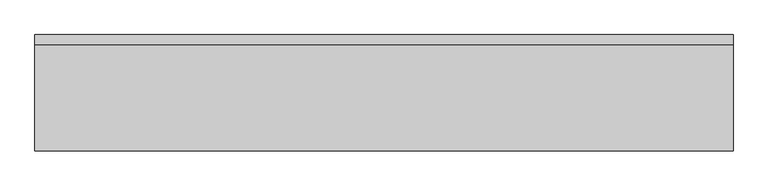
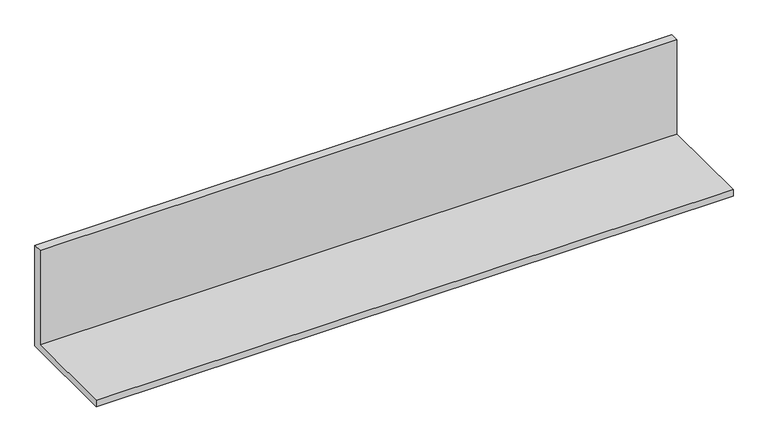
"""IFC4 building model written with IfcOpenShell, lengths in millimetres: furniture geometry."""

from ifc_helpers import new_model, si_unit, frame, origin, place, context, project, spatial, polyline, outline, extrude, source, transform, mapped, element, save


def furniture_abb47067(model_context):
    return source(origin(), model_context, "Body", "SweptSolid", [
        extrude(outline(polyline([(57.15, 1311.275), (-247.65, 1311.275), (-247.65, 1330.325), (31.75, 1330.325), (31.75, 1616.075), (57.15, 1616.075), (57.15, 1311.275)])), frame((0.0, 0.0, 0.0), z_axis=(1.0, 0.0, 0.0), x_axis=(0.0, 1.0, 0.0)), (0.0, 0.0, 1.0), 1828.8),
    ])


if __name__ == "__main__":
    model = new_model("IFC4")
    model_context = context("Model", 3, world=origin())
    ifc_project = project(units=[si_unit("LENGTHUNIT", "METRE", prefix="MILLI")], contexts=[model_context])
    site = spatial("IfcSite", under=ifc_project)
    building = spatial("IfcBuilding", under=site)
    placement = place(None, origin())
    furniture_shape = furniture_abb47067(model_context)
    element("IfcFurniture", 1, at=placement, inside=building, context=model_context, shape_type="MappedRepresentation", body=[
        mapped(furniture_shape, transform((0.0, 0.0, 0.0), x_axis=(1.0, 0.0, 0.0), y_axis=(0.0, 1.0, 0.0), z_axis=(0.0, 0.0, 1.0))),
    ])
    save(model, "model.ifc")
